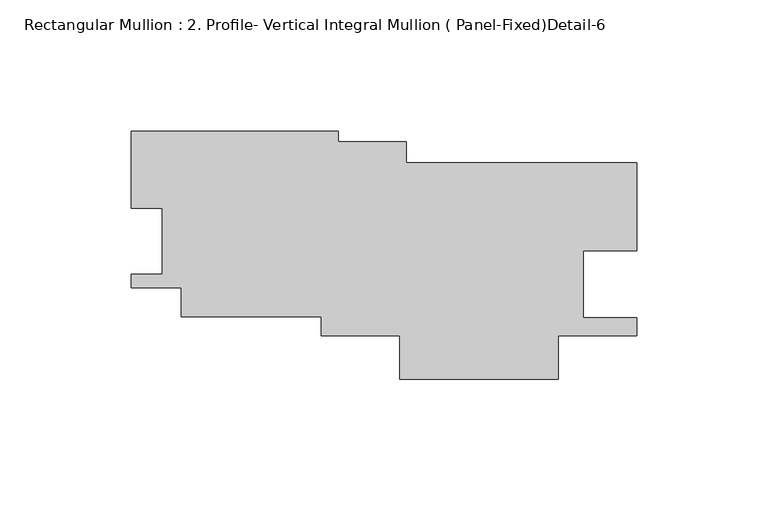
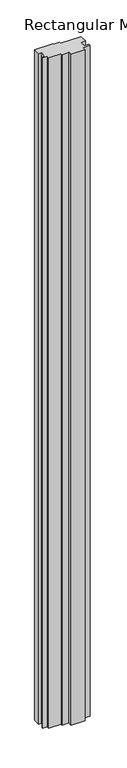
"""IFC4 building model written with IfcOpenShell, lengths in millimetres: member geometry, Rectangular Mullion : 2. Profile- Vertical Integral Mullion ( Panel-Fixed)Detail-6."""

from ifc_helpers import new_model, si_unit, frame, origin, place, context, project, spatial, polyline, outline, extrude, source, transform, mapped, element, save


def rectangular_mullion_2_profile_vertical_integral_mullion_048a9d4d(model_context):
    return source(origin(), model_context, "Body", "SweptSolid", [
        extrude(outline(polyline([(-113.8422806, 47.0556373), (-113.8422806, 43.0364267), (-87.9641313, 43.0364267), (-87.9641313, 35.029524), (0.0, 35.029524), (0.0, 1.498655), (-20.5025885, 1.498655), (-20.5025885, -24.0493385), (-0.0938069, -24.0493385), (-0.0938069, -30.8899727), (-30.0282341, -30.8899727), (-30.0282341, -47.5262057), (-90.3606894, -47.5262057), (-90.3606894, -30.8899727), (-120.2951165, -30.8899727), (-120.2951165, -23.6433242), (-173.6985155, -23.6433242), (-173.6985155, -12.6189482), (-192.7498565, -12.6189482), (-192.7498565, -7.4115816), (-180.8655522, -7.4115816), (-180.8655522, 17.7425657), (-192.7393853, 17.7425657), (-192.7393853, 47.0556373), (-113.8422806, 47.0556373)])), frame((0.0, 0.0, -3048.0), z_axis=(0.0, 0.0, 1.0), x_axis=(1.0, 0.0, 0.0)), (0.0, 0.0, 1.0), 3048.0),
    ])


if __name__ == "__main__":
    model = new_model("IFC4")
    model_context = context("Model", 3, world=origin())
    ifc_project = project(units=[si_unit("LENGTHUNIT", "METRE", prefix="MILLI")], contexts=[model_context])
    site = spatial("IfcSite", under=ifc_project)
    building = spatial("IfcBuilding", under=site)
    placement = place(None, origin())
    rectangular_mullion_2_profile_vertical_integral_mullion_shape = rectangular_mullion_2_profile_vertical_integral_mullion_048a9d4d(model_context)
    element("IfcMember", 1, ObjectType="Rectangular Mullion : 2. Profile- Vertical Integral Mullion ( Panel-Fixed)Detail-6", at=placement, inside=building, context=model_context, shape_type="MappedRepresentation", body=[
        mapped(rectangular_mullion_2_profile_vertical_integral_mullion_shape, transform((0.0, 0.0, 0.0), x_axis=(1.0, 0.0, 0.0), y_axis=(0.0, 1.0, 0.0), z_axis=(0.0, 0.0, 1.0))),
    ])
    save(model, "model.ifc")
